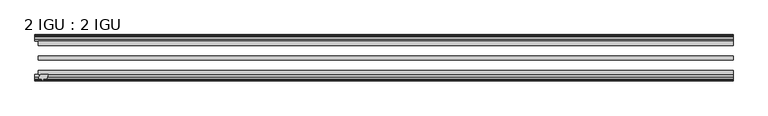
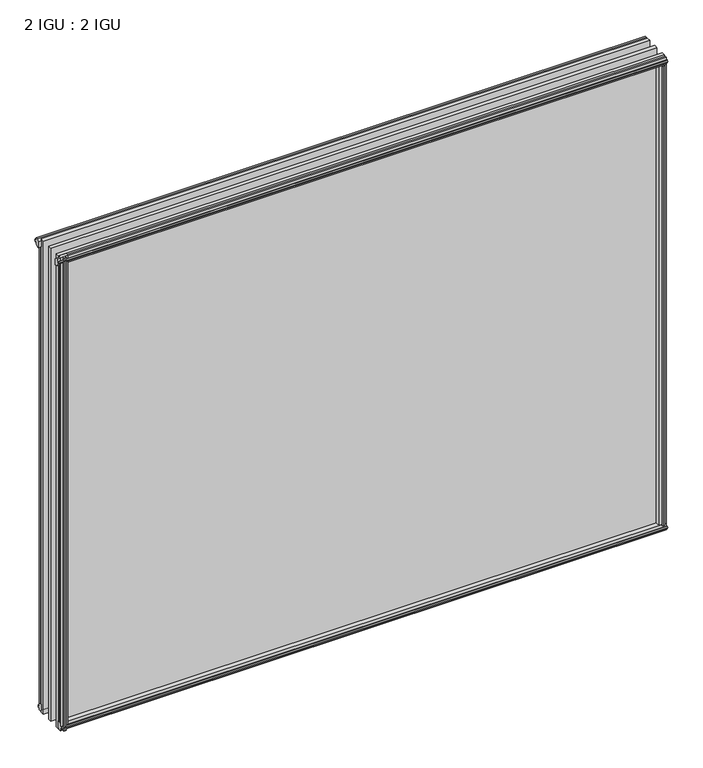
"""IFC4 building model written with IfcOpenShell, lengths in millimetres: plate geometry, 2 IGU : 2 IGU."""

from ifc_helpers import new_model, si_unit, frame, origin, origin_with_axes, place, context, project, spatial, polyline, outline, extrude, source, transform, mapped, element, save


def plate_2_igu_2_igu_c2bca2c6(model_context):
    return source(origin(), model_context, "Body", "SweptSolid", [
        extrude(outline(polyline([(-508.5979377, -69.9960936), (-510.3156558, -76.3460936), (-515.5226558, -76.3460936), (-515.9036558, -78.7262905), (-514.4881267, -78.2663573), (-514.4881267, -79.0675715), (-516.6656558, -79.7750936), (-518.8431848, -79.0675715), (-518.8431848, -78.2663573), (-517.4276558, -78.7262905), (-517.8086558, -76.3460936), (-522.2536558, -76.3460936), (-522.2536558, -73.3996936), (-519.4193136, -69.9960936), (-508.5979377, -69.9960936)])), frame((0.0, 0.0, -12.303125), z_axis=(0.0, 0.0, 1.0), x_axis=(1.0, 0.0, 0.0)), (0.0, 0.0, 1.0), 862.961825),
        extrude(outline(polyline([(515.0088267, -10.4746158), (517.1863558, -9.7670937), (519.3638848, -10.4746158), (519.3638848, -11.27583), (517.9483558, -10.8158968), (518.3293558, -13.1960937), (522.7743558, -13.1960937), (522.7743558, -16.1424937), (519.9400136, -19.5460937), (509.1186377, -19.5460937), (510.8363558, -13.1960937), (516.0433558, -13.1960937), (516.4243558, -10.8158968), (515.0088267, -11.27583), (515.0088267, -10.4746158)])), origin_with_axes(), (0.0, 0.0, 1.0), 838.2),
        extrude(outline(polyline([(-19.5460937, 1.5938931), (-13.1960937, -0.123825), (-13.1960937, -5.330825), (-10.8158968, -5.711825), (-11.27583, -4.2962959), (-10.4746158, -4.2962959), (-9.7670937, -6.473825), (-10.4746158, -8.6513541), (-11.27583, -8.6513541), (-10.8158968, -7.235825), (-13.1960937, -7.616825), (-13.1960937, -12.061825), (-16.1424937, -12.061825), (-19.5460937, -9.2274828), (-19.5460937, 1.5938931)])), frame((-523.0156558, 0.0, 0.0), z_axis=(1.0, 0.0, 0.0), x_axis=(0.0, 1.0, 0.0)), (0.0, 0.0, 1.0), 1046.0313115),
        extrude(outline(polyline([(-69.9960936, 2.1145931), (-69.9960936, -8.7067828), (-73.3996936, -11.541125), (-76.3460936, -11.541125), (-76.3460936, -7.096125), (-78.7262905, -6.715125), (-78.2663573, -8.1306541), (-79.0675715, -8.1306541), (-79.7750936, -5.953125), (-79.0675715, -3.7755959), (-78.2663573, -3.7755959), (-78.7262905, -5.191125), (-76.3460936, -4.810125), (-76.3460936, 0.396875), (-69.9960936, 2.1145931)])), frame((-523.0156558, 0.0, 0.0), z_axis=(1.0, 0.0, 0.0), x_axis=(0.0, 1.0, 0.0)), (0.0, 0.0, 1.0), 1046.0313115),
        extrude(outline(polyline([(-10.8158968, 845.8327), (-11.27583, 847.2482291), (-10.4746158, 847.2482291), (-9.7670937, 845.0707), (-10.4746158, 842.8931709), (-11.27583, 842.8931709), (-10.8158968, 844.3087), (-13.1960937, 843.9277), (-13.1960937, 838.7207), (-19.5460937, 837.0029819), (-19.5460937, 847.8243578), (-16.1424937, 850.6587), (-13.1960937, 850.6587), (-13.1960937, 846.2137), (-10.8158968, 845.8327)])), frame((-528.3617617, 0.0, 0.0), z_axis=(1.0, 0.0, 0.0), x_axis=(0.0, 1.0, 0.0)), (0.0, 0.0, 1.0), 1051.3774174),
        extrude(outline(polyline([(-76.3460936, 850.138), (-73.3996936, 850.138), (-69.9960936, 847.3036578), (-69.9960936, 836.4822819), (-76.3460936, 838.2), (-76.3460936, 843.407), (-78.7262905, 843.788), (-78.2663573, 842.3724709), (-79.0675715, 842.3724709), (-79.7750936, 844.55), (-79.0675715, 846.7275291), (-78.2663573, 846.7275291), (-78.7262905, 845.312), (-76.3460936, 845.693), (-76.3460936, 850.138)])), frame((-528.3617617, 0.0, 0.0), z_axis=(1.0, 0.0, 0.0), x_axis=(0.0, 1.0, 0.0)), (0.0, 0.0, 1.0), 1051.3774174),
        extrude(outline(polyline([(508.5979377, -69.9960936), (519.4193136, -69.9960936), (522.2536558, -73.3996936), (522.2536558, -76.3460936), (517.8086558, -76.3460936), (517.4276558, -78.7262905), (518.8431848, -78.2663573), (518.8431848, -79.0675715), (516.6656558, -79.7750936), (514.4881267, -79.0675715), (514.4881267, -78.2663573), (515.9036558, -78.7262905), (515.5226558, -76.3460936), (510.3156558, -76.3460936), (508.5979377, -69.9960936)])), origin_with_axes(), (0.0, 0.0, 1.0), 838.2),
        extrude(outline(polyline([(-517.1863558, -9.7670937), (-515.0088267, -10.4746158), (-515.0088267, -11.27583), (-516.4243558, -10.8158968), (-516.0433558, -13.1960937), (-510.8363558, -13.1960937), (-509.1186377, -19.5460937), (-519.9400136, -19.5460937), (-522.7743558, -16.1424937), (-522.7743558, -13.1960937), (-518.3293558, -13.1960937), (-517.9483558, -10.8158968), (-519.3638848, -11.27583), (-519.3638848, -10.4746158), (-517.1863558, -9.7670937)])), origin_with_axes(), (0.0, 0.0, 1.0), 838.2),
        extrude(outline(polyline([(523.0156558, -19.5460937), (523.0156558, -25.8960937), (-523.0156558, -25.8960937), (-523.0156558, -19.5460937), (523.0156558, -19.5460937)])), frame((0.0, 0.0, -12.303125), z_axis=(0.0, 0.0, 1.0), x_axis=(1.0, 0.0, 0.0)), (0.0, 0.0, 1.0), 863.203125),
        extrude(outline(polyline([(-523.0156558, -41.5960937), (523.0156558, -41.5960937), (523.0156558, -47.9460937), (-523.0156558, -47.9460937), (-523.0156558, -41.5960937)])), frame((0.0, 0.0, -12.303125), z_axis=(0.0, 0.0, 1.0), x_axis=(1.0, 0.0, 0.0)), (0.0, 0.0, 1.0), 863.203125),
        extrude(outline(polyline([(523.0156558, -63.6460936), (523.0156558, -69.9960936), (-523.0156558, -69.9960936), (-523.0156558, -63.6460936), (523.0156558, -63.6460936)])), frame((0.0, 0.0, -12.303125), z_axis=(0.0, 0.0, 1.0), x_axis=(1.0, 0.0, 0.0)), (0.0, 0.0, 1.0), 863.203125),
    ])


if __name__ == "__main__":
    model = new_model("IFC4")
    model_context = context("Model", 3, world=origin())
    ifc_project = project(units=[si_unit("LENGTHUNIT", "METRE", prefix="MILLI")], contexts=[model_context])
    site = spatial("IfcSite", under=ifc_project)
    building = spatial("IfcBuilding", under=site)
    placement = place(None, origin())
    plate_2_igu_2_igu_shape = plate_2_igu_2_igu_c2bca2c6(model_context)
    element("IfcPlate", 1, ObjectType="2 IGU : 2 IGU", at=placement, inside=building, context=model_context, shape_type="MappedRepresentation", body=[
        mapped(plate_2_igu_2_igu_shape, transform((0.0, 0.0, 0.0), x_axis=(1.0, 0.0, 0.0), y_axis=(0.0, 1.0, 0.0), z_axis=(0.0, 0.0, 1.0))),
    ])
    save(model, "model.ifc")
